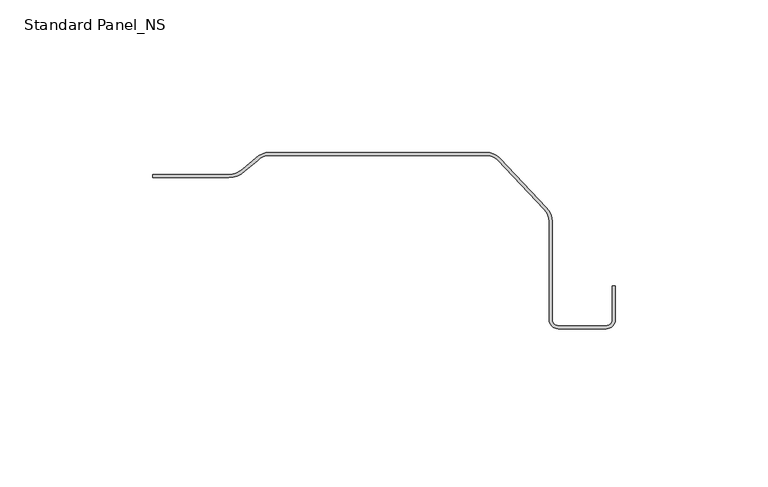
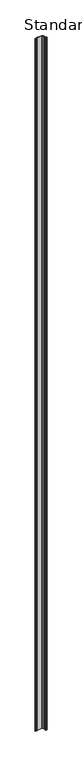
"""IFC4 building model written with IfcOpenShell, lengths in millimetres: proxy geometry, Standard Panel_NS."""

from ifc_helpers import new_model, si_unit, point, frame, frame_2d, origin, place, context, project, spatial, polyline, circle_curve, trimmed, segment, composite_curve, outline, extrude, source, transform, mapped, element, save


def standard_panel_ns_d220aaf3(model_context):
    return source(origin(), model_context, "Body", "SweptSolid", [
        extrude(outline(composite_curve([segment(polyline([(83.7400742, -54.8581621), (83.7400742, -43.8581621), (84.7400742, -43.8581621), (84.7400742, -54.8581621)]), True, "CONTINUOUS"), segment(trimmed(circle_curve(frame_2d((81.7400742, -54.8581621)), 3.0), [point((84.7400742, -54.8581621))], [point((81.7400742, -57.8581621))], False, "CARTESIAN"), True, "CONTINUOUS"), segment(polyline([(81.7400742, -57.8581621), (65.9900742, -57.8581621)]), True, "CONTINUOUS"), segment(trimmed(circle_curve(frame_2d((65.9900742, -54.8581621)), 3.0), [point((65.9900742, -57.8581621))], [point((62.9900742, -54.8581621))], False, "CARTESIAN"), True, "CONTINUOUS"), segment(polyline([(62.9900742, -54.8581621), (62.9900742, -22.6923882)]), True, "CONTINUOUS"), segment(trimmed(circle_curve(frame_2d((57.4900742, -22.6923882)), 5.5), [point((62.9900742, -22.6923882))], [point((61.3683542, -18.7925235))], True, "CARTESIAN"), True, "CONTINUOUS"), segment(polyline([(61.3683542, -18.7925235), (46.175966, -2.6001354)]), True, "CONTINUOUS"), segment(trimmed(circle_curve(frame_2d((42.297686, -6.5)), 5.5), [point((46.175966, -2.6001354))], [point((42.297686, -1.0))], True, "CARTESIAN"), True, "CONTINUOUS"), segment(polyline([(42.297686, -1.0), (-28.6251495, -1.0)]), True, "CONTINUOUS"), segment(trimmed(circle_curve(frame_2d((-28.6251495, -6.5)), 5.5), [point((-28.6251495, -1.0))], [point((-32.5449143, -2.6418341))], True, "CARTESIAN"), True, "CONTINUOUS"), segment(polyline([(-32.5449143, -2.6418341), (-36.7400145, -6.1364815)]), True, "CONTINUOUS"), segment(trimmed(circle_curve(frame_2d((-42.0099258, -0.8)), 7.5), [point((-36.7400145, -6.1364815))], [point((-42.0099258, -8.3))], False, "CARTESIAN"), True, "CONTINUOUS"), segment(polyline([(-42.0099258, -8.3), (-66.9900742, -8.3), (-66.9900742, -7.3), (-42.0099258, -7.3)]), True, "CONTINUOUS"), segment(trimmed(circle_curve(frame_2d((-42.0099258, -0.8)), 6.5), [point((-42.0099258, -7.3))], [point((-37.4137318, -5.3961941))], True, "CARTESIAN"), True, "CONTINUOUS"), segment(polyline([(-37.4137318, -5.3961941), (-33.2213436, -1.9038059)]), True, "CONTINUOUS"), segment(trimmed(circle_curve(frame_2d((-28.6251495, -6.5)), 6.5), [point((-33.2213436, -1.9038059))], [point((-28.6251495, 0.0))], False, "CARTESIAN"), True, "CONTINUOUS"), segment(polyline([(-28.6251495, 0.0), (42.297686, 0.0)]), True, "CONTINUOUS"), segment(trimmed(circle_curve(frame_2d((42.297686, -6.5)), 6.5), [point((42.297686, 0.0))], [point((46.8938801, -1.9038059))], False, "CARTESIAN"), True, "CONTINUOUS"), segment(polyline([(46.8938801, -1.9038059), (62.0862682, -18.0961941)]), True, "CONTINUOUS"), segment(trimmed(circle_curve(frame_2d((57.4900742, -22.6923882)), 6.5), [point((62.0862682, -18.0961941))], [point((63.9900742, -22.6923882))], False, "CARTESIAN"), True, "CONTINUOUS"), segment(polyline([(63.9900742, -22.6923882), (63.9900742, -54.8581621)]), True, "CONTINUOUS"), segment(trimmed(circle_curve(frame_2d((65.9900742, -54.8581621)), 2.0), [point((63.9900742, -54.8581621))], [point((65.9900742, -56.8581621))], True, "CARTESIAN"), True, "CONTINUOUS"), segment(polyline([(65.9900742, -56.8581621), (81.7400742, -56.8581621)]), True, "CONTINUOUS"), segment(trimmed(circle_curve(frame_2d((81.7400742, -54.8581621)), 2.0), [point((81.7400742, -56.8581621))], [point((83.7400742, -54.8581621))], True, "CARTESIAN"), True, "CONTINUOUS")], self_intersect=False)), frame((0.0, 0.0, -250.0), z_axis=(0.0, 0.0, 1.0), x_axis=(1.0, 0.0, 0.0)), (0.0, 0.0, 1.0), 10753.00204),
    ])


if __name__ == "__main__":
    model = new_model("IFC4")
    model_context = context("Model", 3, world=origin())
    ifc_project = project(units=[si_unit("LENGTHUNIT", "METRE", prefix="MILLI")], contexts=[model_context])
    site = spatial("IfcSite", under=ifc_project)
    building = spatial("IfcBuilding", under=site)
    placement = place(None, origin())
    standard_panel_ns_shape = standard_panel_ns_d220aaf3(model_context)
    element("IfcBuildingElementProxy", 1, Name="Standard Panel_NS", ObjectType="Standard Panel_NS", at=placement, inside=building, context=model_context, shape_type="MappedRepresentation", body=[
        mapped(standard_panel_ns_shape, transform((0.0, 0.0, 0.0), x_axis=(1.0, 0.0, 0.0), y_axis=(0.0, 1.0, 0.0), z_axis=(0.0, 0.0, 1.0))),
    ])
    save(model, "model.ifc")
